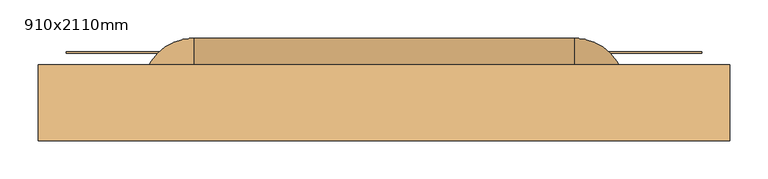
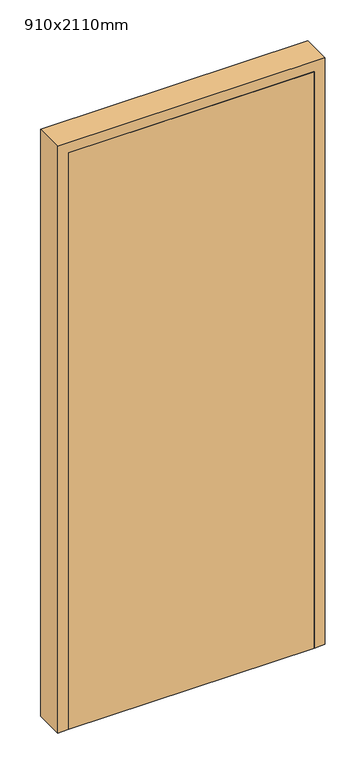
"""IFC4 building model written with IfcOpenShell, lengths in millimetres: door geometry, 910x2110mm."""

from ifc_helpers import new_model, si_unit, point, frame, origin, origin_with_axes, place, context, project, spatial, polyline, circle_curve, ellipse_curve, trimmed, outline, extrude, faceted_brep, source, transform, mapped, element, save
from ifc_brep_helpers import plane_surface, cylinder_surface, revolved_surface, advanced_brep


def door_910x2110mm_c5caf963(model_context):
    return source(origin(), model_context, "Body", "SolidModel", [
        extrude(outline(polyline([(-418.0, -13.0), (418.0, -13.0), (418.0, -15.0), (-418.0, -15.0), (-418.0, -13.0)])), origin_with_axes(), (0.0, 0.0, 1.0), 155.0),
        extrude(outline(polyline([(418.0, -57.0), (-418.0, -57.0), (-418.0, -55.0), (418.0, -55.0), (418.0, -57.0)])), origin_with_axes(), (0.0, 0.0, 1.0), 155.0),
        advanced_brep(
        [(300.0, -83.0, 710.0), (300.0, -83.0, 650.0), (282.5, -83.0, 680.0), (317.5, -83.0, 680.0), (300.0, -90.0, 710.0), (300.0, -90.0, 650.0), (-317.5, -83.0, 680.0), (-317.5, -62.5, 680.0), (-282.5, -62.5, 680.0), (-282.5, -83.0, 680.0), (-250.0, 5.0, 680.0), (-250.0, -30.0, 680.0), (250.0, 5.0, 680.0), (250.0, -30.0, 680.0), (317.5, -62.5, 680.0), (282.5, -62.5, 680.0), (-300.0, -83.0, 710.0), (-300.0, -83.0, 650.0), (-300.0, -90.0, 710.0), (-300.0, -90.0, 650.0)],
        [
            (0, 1, circle_curve(frame((300.0, -83.0, 680.0), z_axis=(0.0, 1.0, 0.0), x_axis=(0.0, 0.0, -1.0)), 30.0)),
            (1, 0, circle_curve(frame((300.0, -83.0, 680.0), z_axis=(0.0, 1.0, 0.0), x_axis=(0.0, 0.0, -1.0)), 30.0)),
            (2, 3, circle_curve(frame((300.0, -83.0, 680.0), z_axis=(0.0, -1.0, 0.0), x_axis=(-1.0000000000000004, 0.0, 0.0)), 17.5)),
            (3, 2, circle_curve(frame((300.0, -83.0, 680.0), z_axis=(0.0, -1.0, 0.0), x_axis=(-1.0000000000000004, 0.0, 0.0)), 17.5)),
            (4, 5, circle_curve(frame((300.0, -90.0, 680.0), z_axis=(0.0, -1.0, 0.0), x_axis=(0.0, 0.0, -1.0)), 30.0)),
            (5, 4, circle_curve(frame((300.0, -90.0, 680.0), z_axis=(0.0, -1.0, 0.0), x_axis=(0.0, 0.0, -1.0)), 30.0)),
            (0, 4),
            (5, 1),
            (6, 7),
            (7, 8, circle_curve(frame((-300.0, -62.5, 680.0), z_axis=(0.0, -1.0, 0.0), x_axis=(1.0000000000000004, 0.0, 0.0)), 17.5)),
            (8, 9),
            (9, 6, circle_curve(frame((-300.0, -83.0, 680.0), z_axis=(0.0, 1.0, 0.0), x_axis=(1.0000000000000004, 0.0, 0.0)), 17.5)),
            (6, 9, circle_curve(frame((-300.0, -83.0, 680.0), z_axis=(0.0, 1.0, 0.0), x_axis=(1.0000000000000004, 0.0, 0.0)), 17.5)),
            (8, 7, circle_curve(frame((-300.0, -62.5, 680.0), z_axis=(0.0, -1.0, 0.0), x_axis=(1.0000000000000004, 0.0, 0.0)), 17.5)),
            (7, 10, circle_curve(frame((-250.0, -62.5, 680.0), z_axis=(0.0, 0.0, -1.0), x_axis=(-1.0000000000000004, 0.0, 0.0)), 67.5)),
            (10, 11, circle_curve(frame((-250.0, -12.5, 680.0), z_axis=(-1.0000000000000004, 0.0, 0.0), x_axis=(0.0, -1.0000000000000004, 0.0)), 17.5)),
            (11, 8, circle_curve(frame((-250.0, -62.5, 680.0), z_axis=(0.0, 0.0, 1.0), x_axis=(-1.0000000000000004, 0.0, 0.0)), 32.5)),
            (11, 10, circle_curve(frame((-250.0, -12.5, 680.0), z_axis=(-1.0000000000000004, 0.0, 0.0), x_axis=(0.0, -1.0000000000000004, 0.0)), 17.5)),
            (10, 12),
            (12, 13, circle_curve(frame((250.0, -12.5, 680.0), z_axis=(-1.0, 0.0, 0.0), x_axis=(0.0, -1.0000000000000004, 0.0)), 17.5)),
            (13, 11),
            (13, 12, circle_curve(frame((250.0, -12.5, 680.0), z_axis=(-1.0, 0.0, 0.0), x_axis=(0.0, -1.0000000000000004, 0.0)), 17.5)),
            (12, 14, circle_curve(frame((250.0, -62.5, 680.0), z_axis=(0.0, 0.0, -1.0), x_axis=(0.0, 1.0000000000000004, 0.0)), 67.5)),
            (14, 15, circle_curve(frame((300.0, -62.5, 680.0), z_axis=(0.0, 1.0000000000000004, 0.0), x_axis=(-1.0000000000000004, 0.0, 0.0)), 17.5)),
            (15, 13, circle_curve(frame((250.0, -62.5, 680.0), z_axis=(0.0, 0.0, 1.0), x_axis=(0.0, 1.0000000000000004, 0.0)), 32.5)),
            (15, 14, circle_curve(frame((300.0, -62.5, 680.0), z_axis=(0.0, 1.0000000000000004, 0.0), x_axis=(-1.0000000000000004, 0.0, 0.0)), 17.5)),
            (14, 3),
            (2, 15),
            (16, 17, circle_curve(frame((-300.0, -83.0, 680.0), z_axis=(0.0, 1.0, 0.0), x_axis=(0.0, 0.0, -1.0)), 30.0)),
            (17, 16, circle_curve(frame((-300.0, -83.0, 680.0), z_axis=(0.0, 1.0, 0.0), x_axis=(0.0, 0.0, -1.0)), 30.0)),
            (18, 19, circle_curve(frame((-300.0, -90.0, 680.0), z_axis=(0.0, -1.0, 0.0), x_axis=(0.0, 0.0, -1.0)), 30.0)),
            (19, 18, circle_curve(frame((-300.0, -90.0, 680.0), z_axis=(0.0, -1.0, 0.0), x_axis=(0.0, 0.0, -1.0)), 30.0)),
            (16, 18),
            (19, 17),
        ],
        [
            plane_surface(frame((300.0, -83.0, 650.0), z_axis=(0.0, 1.0, 0.0), x_axis=(-1.0, 0.0, 0.0))),
            plane_surface(frame((300.0, -90.0, 650.0), z_axis=(0.0, -1.0, 0.0), x_axis=(1.0, 0.0, 0.0))),
            cylinder_surface(frame((300.0, -90.0, 680.0), z_axis=(0.0, 1.0000000000000004, 0.0), x_axis=(0.0, 0.0, -1.0)), 30.0),
            cylinder_surface(frame((-300.0, -83.0, 680.0), z_axis=(0.0, -1.0000000000000004, 0.0), x_axis=(1.0000000000000004, 0.0, 0.0)), 17.5),
            revolved_surface(trimmed(ellipse_curve(frame((-300.0, -62.5, 680.0), z_axis=(0.0, -1.0000000000000004, 0.0), x_axis=(1.0000000000000004, 0.0, 0.0)), 17.5, 17.5), [point((-317.5, -62.5, 680.0))], [point((-282.5, -62.5, 680.0))], True, "CARTESIAN"), (-250.0, -62.5, 680.0), (0.0, 0.0, -1.0)),
            revolved_surface(trimmed(ellipse_curve(frame((-300.0, -62.5, 680.0), z_axis=(0.0, -1.0000000000000004, 0.0), x_axis=(1.0000000000000004, 0.0, 0.0)), 17.5, 17.5), [point((-282.5, -62.5, 680.0))], [point((-317.5, -62.5, 680.0))], True, "CARTESIAN"), (-250.0, -62.5, 680.0), (0.0, 0.0, -1.0)),
            cylinder_surface(frame((-250.0, -12.5, 680.0), z_axis=(-1.0000000000000004, 0.0, 0.0), x_axis=(0.0, -1.0000000000000004, 0.0)), 17.5),
            revolved_surface(trimmed(ellipse_curve(frame((250.0, -12.5, 680.0), z_axis=(-1.0000000000000004, 0.0, 0.0), x_axis=(0.0, -1.0000000000000004, 0.0)), 17.5, 17.5), [point((250.0, 5.0, 680.0))], [point((250.0, -30.0, 680.0))], True, "CARTESIAN"), (250.0, -62.5, 680.0), (0.0, 0.0, -1.0)),
            revolved_surface(trimmed(ellipse_curve(frame((250.0, -12.5, 680.0), z_axis=(-1.0000000000000004, 0.0, 0.0), x_axis=(0.0, -1.0000000000000004, 0.0)), 17.5, 17.5), [point((250.0, -30.0, 680.0))], [point((250.0, 5.0, 680.0))], True, "CARTESIAN"), (250.0, -62.5, 680.0), (0.0, 0.0, -1.0)),
            cylinder_surface(frame((300.0, -62.5, 680.0), z_axis=(0.0, 1.0000000000000004, 0.0), x_axis=(-1.0000000000000004, 0.0, 0.0)), 17.5),
            plane_surface(frame((-300.0, -83.0, 650.0), z_axis=(0.0, 1.0, 0.0), x_axis=(-1.0, 0.0, 0.0))),
            plane_surface(frame((-300.0, -90.0, 650.0), z_axis=(0.0, -1.0, 0.0), x_axis=(1.0, 0.0, 0.0))),
            cylinder_surface(frame((-300.0, -90.0, 680.0), z_axis=(0.0, 1.0000000000000004, 0.0), x_axis=(0.0, 0.0, -1.0)), 30.0),
        ],
        [
            (0, [[1, 2], [3, 4]]),
            (1, [[5, 6]]),
            (2, [[-1, 7, -6, 8]]),
            (2, [[-2, -8, -5, -7]]),
            (3, [[9, 10, 11, 12]]),
            (3, [[-9, 13, -11, 14]]),
            (4, [[-10, 15, 16, 17]]),
            (5, [[-14, -17, 18, -15]]),
            (6, [[-16, 19, 20, 21]]),
            (6, [[-18, -21, 22, -19]]),
            (7, [[-20, 23, 24, 25]]),
            (8, [[-22, -25, 26, -23]]),
            (9, [[-24, 27, -3, 28]]),
            (9, [[-26, -28, -4, -27]]),
            (10, [[29, 30], [-12, -13]]),
            (11, [[31, 32]]),
            (12, [[-29, 33, -32, 34]]),
            (12, [[-30, -34, -31, -33]]),
        ],
    ),
        extrude(outline(polyline([(-418.0, -130.0), (-418.0, -90.0), (418.0, -90.0), (418.0, -130.0), (-418.0, -130.0)])), origin_with_axes(), (0.0, 0.0, 1.0), 2073.0),
        faceted_brep([(455.0, -130.0, 0.0), (418.0, -130.0, 0.0), (418.0, -90.0, 0.0), (405.0, -90.0, 0.0), (405.0, -30.0, 0.0), (455.0, -30.0, 0.0), (455.0, -130.0, 2110.0), (-455.0, -130.0, 2110.0), (-455.0, -130.0, 0.0), (-418.0, -130.0, 0.0), (-418.0, -130.0, 2073.0), (418.0, -130.0, 2073.0), (418.0, -90.0, 2073.0), (-418.0, -90.0, 2073.0), (-418.0, -90.0, 0.0), (-405.0, -90.0, 0.0), (-405.0, -90.0, 2060.0), (405.0, -90.0, 2060.0), (405.0, -30.0, 2060.0), (-405.0, -30.0, 2060.0), (-405.0, -30.0, 0.0), (-455.0, -30.0, 0.0), (-455.0, -30.0, 2110.0), (455.0, -30.0, 2110.0)], [[[0, 1, 2, 3, 4, 5]], [[1, 0, 6, 7, 8, 9, 10, 11]], [[2, 1, 11, 12]], [[3, 2, 12, 13, 14, 15, 16, 17]], [[4, 3, 17, 18]], [[5, 4, 18, 19, 20, 21, 22, 23]], [[0, 5, 23, 6]], [[7, 22, 21, 8]], [[8, 21, 20, 15, 14, 9]], [[13, 10, 9, 14]], [[19, 16, 15, 20]], [[12, 11, 10, 13]], [[18, 17, 16, 19]], [[6, 23, 22, 7]]]),
    ])


if __name__ == "__main__":
    model = new_model("IFC4")
    model_context = context("Model", 3, world=origin())
    ifc_project = project(units=[si_unit("LENGTHUNIT", "METRE", prefix="MILLI")], contexts=[model_context])
    site = spatial("IfcSite", under=ifc_project)
    building = spatial("IfcBuilding", under=site)
    placement = place(None, origin())
    door_910x2110mm_shape = door_910x2110mm_c5caf963(model_context)
    element("IfcDoor", 1, ObjectType="910x2110mm", at=placement, inside=building, context=model_context, shape_type="MappedRepresentation", body=[
        mapped(door_910x2110mm_shape, transform((0.0, 0.0, 0.0), x_axis=(1.0, 0.0, 0.0), y_axis=(0.0, 1.0, 0.0), z_axis=(0.0, 0.0, 1.0))),
    ])
    save(model, "model.ifc")
